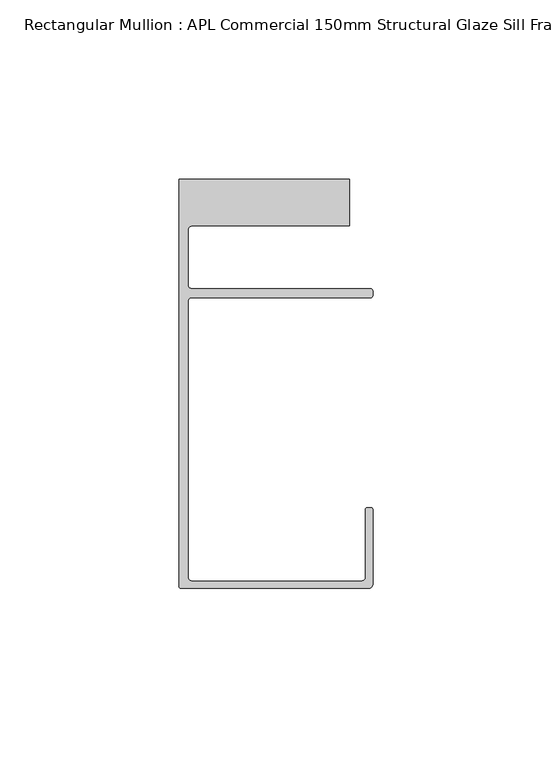
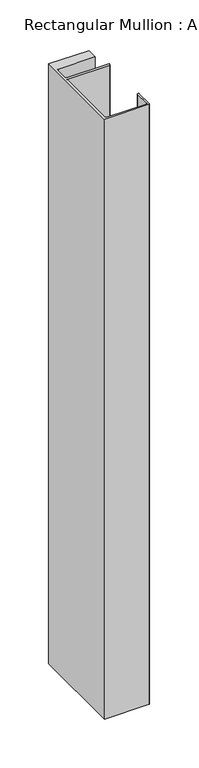
"""IFC4 building model written with IfcOpenShell, lengths in millimetres: member geometry, Rectangular Mullion : APL Commercial 150mm Structural Glaze Sill Frame (Back)."""

from ifc_helpers import new_model, si_unit, frame, origin, place, context, project, spatial, polyline, circle_curve, source, transform, mapped, element, save
from ifc_brep_helpers import plane_surface, cylinder_surface, revolved_surface, advanced_brep


def rectangular_mullion_apl_commercial_150mm_structural_glaze_af2f65fd(model_context):
    return source(origin(), model_context, "Body", "AdvancedBrep", [
        advanced_brep(
        [(-53.5000083, -129.0001071, 0.0), (-1.0000079, -129.0001071, 0.0), (-7.9e-06, -128.0001071, 0.0), (0.0, -107.0001071, 0.0), (-0.5, -106.5001071, 0.0), (-1.4999822, -106.5001071, 0.0), (-1.9999822, -107.0001071, 0.0), (-1.9999982, -126.0001071, 0.0), (-2.9999982, -127.0001071, 0.0), (-50.5000083, -127.00011, 0.0), (-51.5000083, -126.00011, 0.0), (-51.5000225, -48.9999541, 0.0), (-50.482081, -48.000115, 0.0), (-0.5000012, -48.000115, 0.0), (-5.4e-06, -47.5021598, 0.0), (-5.4e-06, -46.0213357, 0.0), (-0.521387, -45.4999541, 0.0), (-50.500032, -45.4999541, 0.0), (-51.500032, -44.4999541, 0.0), (-51.500032, -29.0004332, 0.0), (-50.500032, -28.0004332, 0.0), (-6.5000083, -28.0004332, 0.0), (-6.5000083, -15.0004332, 0.0), (-54.0000083, -15.0004332, 0.0), (-54.0000083, -128.5001071, 0.0), (-53.5000083, -129.0001071, -749.4593594), (-54.0000083, -128.5001071, -749.4593594), (-54.0000083, -15.0004332, -749.4593594), (-6.5000083, -15.0004332, -749.4593594), (-6.5000083, -28.0004332, -749.4593594), (-50.500032, -28.0004332, -749.4593594), (-51.500032, -29.0004332, -749.4593594), (-51.500032, -44.4999541, -749.4593594), (-50.500032, -45.4999541, -749.4593594), (-0.521387, -45.4999541, -749.4593594), (-5.4e-06, -46.0213357, -749.4593594), (-5.4e-06, -47.5021598, -749.4593594), (-0.5000012, -48.000115, -749.4593594), (-50.482081, -48.000115, -749.4593594), (-51.5000225, -48.9999541, -749.4593594), (-51.5000225, -126.00011, -749.4593594), (-50.5000083, -127.00011, -749.4593594), (-2.9999982, -127.00011, -749.4593594), (-1.9999982, -126.0001071, -749.4593594), (-1.9999982, -107.0001071, -749.4593594), (-1.4999822, -106.5001071, -749.4593594), (-0.5, -106.5001071, -749.4593594), (0.0, -107.0001071, -749.4593594), (0.0, -128.0001071, -749.4593594), (-1.0000079, -129.0001071, -749.4593594)],
        [
            (0, 1),
            (1, 2, circle_curve(frame((-1.0000079, -128.0001071, 0.0), z_axis=(0.0, 0.0, 1.0), x_axis=(0.9999999999996143, -8.78371761103865e-07, 0.0)), 1.0)),
            (2, 3),
            (3, 4, circle_curve(frame((-0.5, -107.0001071, 0.0), z_axis=(0.0, 0.0, 1.0), x_axis=(0.0, 1.0, 0.0)), 0.5)),
            (4, 5),
            (5, 6, circle_curve(frame((-1.4999822, -107.0001071, 0.0), z_axis=(0.0, 0.0, 1.0), x_axis=(-1.0, 1.039279773351609e-08, 0.0)), 0.5)),
            (6, 7),
            (7, 8, circle_curve(frame((-2.9999982, -126.0001071, 0.0), z_axis=(0.0, 0.0, -1.0), x_axis=(0.0, -1.0, 0.0)), 1.0)),
            (8, 9),
            (9, 10, circle_curve(frame((-50.5000083, -126.00011, 0.0), z_axis=(0.0, 0.0, -1.0), x_axis=(-1.0, -3.636202450239078e-12, 0.0)), 1.0)),
            (10, 11),
            (11, 12, circle_curve(frame((-50.5000225, -48.9999541, 0.0), z_axis=(0.0, 0.0, -1.0), x_axis=(3.5344775231070867e-06, 0.9999999999937538, 0.0)), 1.0)),
            (12, 13),
            (13, 14, circle_curve(frame((-0.5000012, -47.500115, 0.0), z_axis=(0.0, 0.0, 1.0), x_axis=(0.9999999999999991, 4.5120271963110614e-08, 0.0)), 0.5)),
            (14, 15),
            (15, 16, circle_curve(frame((-0.521387, -46.0213357, 0.0), z_axis=(0.0, 0.0, 1.0), x_axis=(-1.0, 0.0, 0.0)), 0.5213816)),
            (16, 17),
            (17, 18, circle_curve(frame((-50.500032, -44.4999541, 0.0), z_axis=(0.0, 0.0, -1.0), x_axis=(-0.9999999999998819, -4.863123717036027e-07, 0.0)), 1.0)),
            (18, 19),
            (19, 20, circle_curve(frame((-50.500032, -29.0004332, 0.0), z_axis=(0.0, 0.0, -1.0), x_axis=(0.0, 1.0, 0.0)), 1.0)),
            (20, 21),
            (21, 22),
            (22, 23),
            (23, 24),
            (24, 0, circle_curve(frame((-53.5000083, -128.5001071, 0.0), z_axis=(0.0, 0.0, 1.0), x_axis=(0.0, -1.0, 0.0)), 0.5)),
            (25, 26, circle_curve(frame((-53.5000083, -128.5001071, -749.4593594), z_axis=(0.0, 0.0, -1.0), x_axis=(0.0, -1.0, 0.0)), 0.5)),
            (26, 27),
            (27, 28),
            (28, 29),
            (29, 30),
            (30, 31, circle_curve(frame((-50.500032, -29.0004332, -749.4593594), z_axis=(0.0, 0.0, 1.0), x_axis=(0.0, 1.0, 0.0)), 1.0)),
            (31, 32),
            (32, 33, circle_curve(frame((-50.500032, -44.4999541, -749.4593594), z_axis=(0.0, 0.0, 1.0), x_axis=(-0.9999999999998819, -4.863123717036027e-07, 0.0)), 1.0)),
            (33, 34),
            (34, 35, circle_curve(frame((-0.521387, -46.0213357, -749.4593594), z_axis=(0.0, 0.0, -1.0), x_axis=(-1.0, 0.0, 0.0)), 0.5213816)),
            (35, 36),
            (36, 37, circle_curve(frame((-0.5000012, -47.500115, -749.4593594), z_axis=(0.0, 0.0, -1.0), x_axis=(0.9999999999999991, 4.5120271963110614e-08, 0.0)), 0.5)),
            (37, 38),
            (38, 39, circle_curve(frame((-50.5000225, -48.9999541, -749.4593594), z_axis=(0.0, 0.0, 1.0), x_axis=(3.5344775231070867e-06, 0.9999999999937538, 0.0)), 1.0)),
            (39, 40),
            (40, 41, circle_curve(frame((-50.5000083, -126.00011, -749.4593594), z_axis=(0.0, 0.0, 1.0), x_axis=(-1.0, -3.636202450239078e-12, 0.0)), 1.0)),
            (41, 42),
            (42, 43, circle_curve(frame((-2.9999982, -126.0001071, -749.4593594), z_axis=(0.0, 0.0, 1.0), x_axis=(0.0, -1.0, 0.0)), 1.0)),
            (43, 44),
            (44, 45, circle_curve(frame((-1.4999822, -107.0001071, -749.4593594), z_axis=(0.0, 0.0, -1.0), x_axis=(-1.0, 1.039279773351609e-08, 0.0)), 0.5)),
            (45, 46),
            (46, 47, circle_curve(frame((-0.5, -107.0001071, -749.4593594), z_axis=(0.0, 0.0, -1.0), x_axis=(0.0, 1.0, 0.0)), 0.5)),
            (47, 48),
            (48, 49, circle_curve(frame((-1.0000079, -128.0001071, -749.4593594), z_axis=(0.0, 0.0, -1.0), x_axis=(0.9999999999996143, -8.78371761103865e-07, 0.0)), 1.0)),
            (49, 25),
            (0, 25),
            (49, 1),
            (48, 2),
            (47, 3),
            (46, 4),
            (45, 5),
            (44, 6),
            (43, 7),
            (42, 8),
            (41, 9),
            (40, 10),
            (39, 11),
            (38, 12),
            (37, 13),
            (36, 14),
            (35, 15),
            (34, 16),
            (33, 17),
            (32, 18),
            (31, 19),
            (30, 20),
            (29, 21),
            (28, 22),
            (27, 23),
            (26, 24),
        ],
        [
            plane_surface(frame((0.0, -139.6548314, 0.0), z_axis=(0.0, 0.0, 1.0), x_axis=(-1.0, 0.0, 0.0))),
            plane_surface(frame((0.0, -139.6548314, -749.4593594), z_axis=(0.0, 0.0, -1.0), x_axis=(-1.0, 0.0, 0.0))),
            plane_surface(frame((-53.5000083, -129.0001071, 0.0), z_axis=(0.0, -1.0, 0.0), x_axis=(0.0, 0.0, -1.0))),
            cylinder_surface(frame((-1.0000079, -128.0001071, 0.0), z_axis=(0.0, 0.0, 1.0000000000000002), x_axis=(0.9999999999996143, -8.78371761103865e-07, 0.0)), 1.0),
            plane_surface(frame((0.0, -128.0001071, 0.0), z_axis=(1.0, 0.0, 0.0), x_axis=(0.0, 0.0, -1.0))),
            cylinder_surface(frame((-0.5, -107.0001071, 0.0), z_axis=(0.0, 0.0, 1.0), x_axis=(0.0, 1.0, 0.0)), 0.5),
            plane_surface(frame((-0.5, -106.5001071, 0.0), z_axis=(0.0, 1.0, 0.0), x_axis=(0.0, 0.0, -1.0))),
            cylinder_surface(frame((-1.4999822, -107.0001071, 0.0), z_axis=(0.0, 0.0, 1.0), x_axis=(-1.0, 1.039279773351609e-08, 0.0)), 0.5),
            plane_surface(frame((-1.9999982, -107.0001071, 0.0), z_axis=(-1.0, 0.0, 0.0), x_axis=(0.0, 0.0, -1.0))),
            revolved_surface(polyline([(-2.9999982, -127.0001071, -749.4593594), (-2.9999982, -127.0001071, 0.0)]), (-2.9999982, -126.0001071, 0.0), (0.0, 0.0, -1.0)),
            plane_surface(frame((-2.9999982, -127.00011, 0.0), z_axis=(0.0, 1.0, 0.0), x_axis=(0.0, 0.0, -1.0))),
            revolved_surface(polyline([(-51.5000083, -126.00011000000364, -749.4593594), (-51.5000083, -126.00011000000364, 0.0)]), (-50.5000083, -126.00011, 0.0), (0.0, 0.0, -1.0)),
            plane_surface(frame((-51.5000225, -126.00011, 0.0), z_axis=(1.0, 0.0, 0.0), x_axis=(0.0, 0.0, -1.0))),
            revolved_surface(polyline([(-50.50001896552248, -47.99995410000624, -749.4593594), (-50.50001896552248, -47.99995410000624, 0.0)]), (-50.5000225, -48.9999541, 0.0), (0.0, 0.0, -1.0)),
            plane_surface(frame((-50.482081, -48.000115, 0.0), z_axis=(0.0, -1.0, 0.0), x_axis=(0.0, 0.0, -1.0))),
            cylinder_surface(frame((-0.5000012, -47.500115, 0.0), z_axis=(0.0, 0.0, 1.0000000000000002), x_axis=(0.9999999999999991, 4.5120271963110614e-08, 0.0)), 0.5),
            plane_surface(frame((-5.4e-06, -47.5021598, 0.0), z_axis=(1.0, 0.0, 0.0), x_axis=(0.0, 0.0, -1.0))),
            cylinder_surface(frame((-0.521387, -46.0213357, 0.0), z_axis=(0.0, 0.0, 1.0), x_axis=(-1.0, 0.0, 0.0)), 0.5213816),
            plane_surface(frame((-0.521387, -45.4999541, 0.0), z_axis=(0.0, 1.0, 0.0), x_axis=(0.0, 0.0, -1.0))),
            revolved_surface(polyline([(-51.50003199999988, -44.49995458631237, -749.4593594000003), (-51.50003199999988, -44.49995458631237, 0.0)]), (-50.500032, -44.4999541, 0.0), (0.0, 0.0, -1.0000000000000002)),
            plane_surface(frame((-51.500032, -44.4999541, 0.0), z_axis=(1.0, 0.0, 0.0), x_axis=(0.0, 0.0, -1.0))),
            revolved_surface(polyline([(-50.500032, -28.0004332, -749.4593594), (-50.500032, -28.0004332, 0.0)]), (-50.500032, -29.0004332, 0.0), (0.0, 0.0, -1.0)),
            plane_surface(frame((-50.500032, -28.0004332, 0.0), z_axis=(0.0, -1.0, 0.0), x_axis=(0.0, 0.0, -1.0))),
            plane_surface(frame((-6.5000083, -28.0004332, 0.0), z_axis=(1.0, 0.0, 0.0), x_axis=(0.0, 0.0, -1.0))),
            plane_surface(frame((-6.5000083, -15.0004332, 0.0), z_axis=(0.0, 1.0, 0.0), x_axis=(0.0, 0.0, -1.0))),
            plane_surface(frame((-54.0000083, -15.0004332, 0.0), z_axis=(-1.0, 0.0, 0.0), x_axis=(0.0, 0.0, -1.0))),
            cylinder_surface(frame((-53.5000083, -128.5001071, 0.0), z_axis=(0.0, 0.0, 1.0), x_axis=(0.0, -1.0, 0.0)), 0.5),
        ],
        [
            (0, [[1, 2, 3, 4, 5, 6, 7, 8, 9, 10, 11, 12, 13, 14, 15, 16, 17, 18, 19, 20, 21, 22, 23, 24, 25]]),
            (1, [[26, 27, 28, 29, 30, 31, 32, 33, 34, 35, 36, 37, 38, 39, 40, 41, 42, 43, 44, 45, 46, 47, 48, 49, 50]]),
            (2, [[-1, 51, -50, 52]]),
            (3, [[-2, -52, -49, 53]]),
            (4, [[-3, -53, -48, 54]]),
            (5, [[-4, -54, -47, 55]]),
            (6, [[-5, -55, -46, 56]]),
            (7, [[-6, -56, -45, 57]]),
            (8, [[-7, -57, -44, 58]]),
            (9, [[-8, -58, -43, 59]]),
            (10, [[-9, -59, -42, 60]]),
            (11, [[-10, -60, -41, 61]]),
            (12, [[-11, -61, -40, 62]]),
            (13, [[-12, -62, -39, 63]]),
            (14, [[-13, -63, -38, 64]]),
            (15, [[-14, -64, -37, 65]]),
            (16, [[-15, -65, -36, 66]]),
            (17, [[-16, -66, -35, 67]]),
            (18, [[-17, -67, -34, 68]]),
            (19, [[-18, -68, -33, 69]]),
            (20, [[-19, -69, -32, 70]]),
            (21, [[-20, -70, -31, 71]]),
            (22, [[-21, -71, -30, 72]]),
            (23, [[-22, -72, -29, 73]]),
            (24, [[-23, -73, -28, 74]]),
            (25, [[-24, -74, -27, 75]]),
            (26, [[-25, -75, -26, -51]]),
        ],
    ),
    ])


if __name__ == "__main__":
    model = new_model("IFC4")
    model_context = context("Model", 3, world=origin())
    ifc_project = project(units=[si_unit("LENGTHUNIT", "METRE", prefix="MILLI")], contexts=[model_context])
    site = spatial("IfcSite", under=ifc_project)
    building = spatial("IfcBuilding", under=site)
    placement = place(None, origin())
    rectangular_mullion_apl_commercial_150mm_structural_glaze_shape = rectangular_mullion_apl_commercial_150mm_structural_glaze_af2f65fd(model_context)
    element("IfcMember", 1, ObjectType="Rectangular Mullion : APL Commercial 150mm Structural Glaze Sill Frame (Back)", at=placement, inside=building, context=model_context, shape_type="MappedRepresentation", body=[
        mapped(rectangular_mullion_apl_commercial_150mm_structural_glaze_shape, transform((0.0, 0.0, 0.0), x_axis=(1.0, 0.0, 0.0), y_axis=(0.0, 1.0, 0.0), z_axis=(0.0, 0.0, 1.0))),
    ])
    save(model, "model.ifc")
